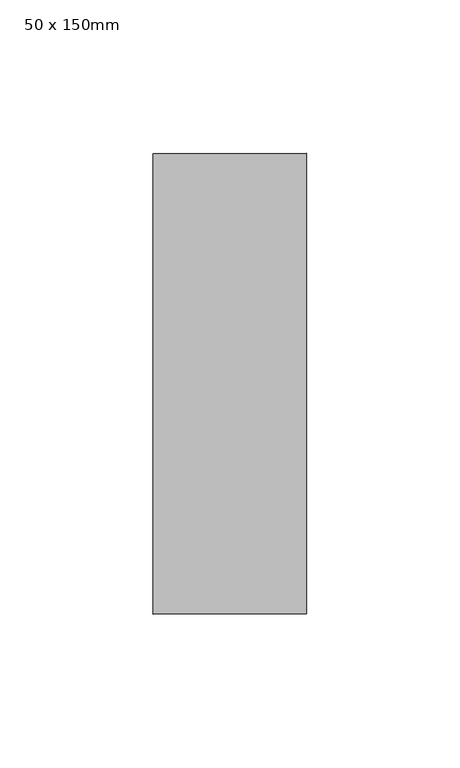
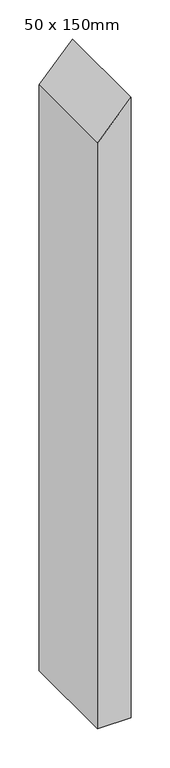
"""IFC4 building model written with IfcOpenShell, lengths in millimetres: member geometry, 50 x 150mm."""

from ifc_helpers import new_model, si_unit, frame, origin, place, context, project, spatial, polyline, outline, extrude, source, transform, mapped, element, save


def member_50_x_150mm_b4dd8d7e(model_context):
    return source(origin(), model_context, "Body", "SweptSolid", [
        extrude(outline(polyline([(0.0, 0.0), (-54.1787313, -50.0), (-970.3457934, -50.0), (-970.3457934, 0.0), (0.0, 0.0)])), frame((0.0, -75.0, 0.0), z_axis=(0.0, 1.0, 0.0), x_axis=(0.0, 0.0, 1.0)), (0.0, 0.0, 1.0), 150.0),
    ])


if __name__ == "__main__":
    model = new_model("IFC4")
    model_context = context("Model", 3, world=origin())
    ifc_project = project(units=[si_unit("LENGTHUNIT", "METRE", prefix="MILLI")], contexts=[model_context])
    site = spatial("IfcSite", under=ifc_project)
    building = spatial("IfcBuilding", under=site)
    placement = place(None, origin())
    member_50_x_150mm_shape = member_50_x_150mm_b4dd8d7e(model_context)
    element("IfcMember", 1, ObjectType="50 x 150mm", at=placement, inside=building, context=model_context, shape_type="MappedRepresentation", body=[
        mapped(member_50_x_150mm_shape, transform((0.0, 0.0, 0.0), x_axis=(1.0, 0.0, 0.0), y_axis=(0.0, 1.0, 0.0), z_axis=(0.0, 0.0, 1.0))),
    ])
    save(model, "model.ifc")
